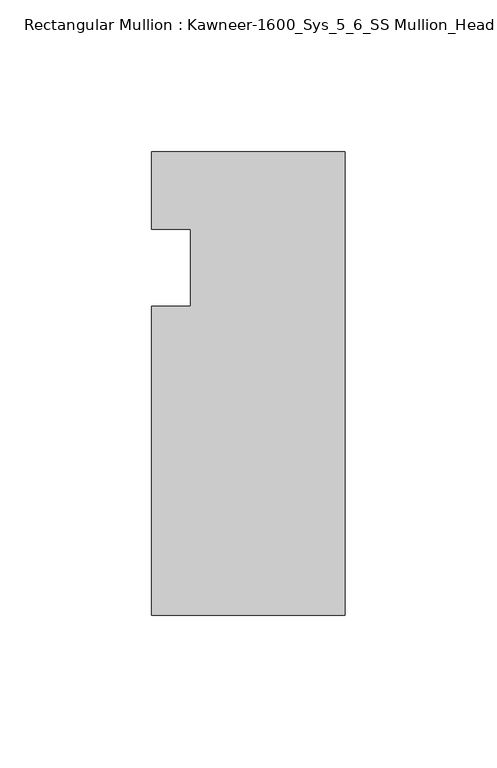
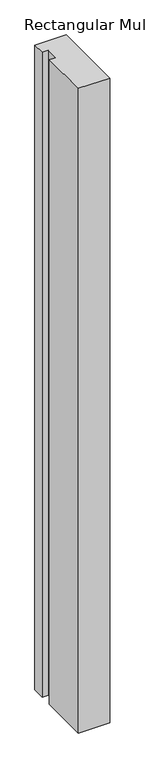
"""IFC4 building model written with IfcOpenShell, lengths in millimetres: member geometry, Rectangular Mullion : Kawneer-1600_Sys_5_6_SS Mullion_Head."""

from ifc_helpers import new_model, si_unit, frame, origin, place, context, project, spatial, polyline, outline, extrude, source, transform, mapped, element, save


def rectangular_mullion_kawneer_1600_sys_5_6_ss_mullion_head_ba9778c0(model_context):
    return source(origin(), model_context, "Body", "SweptSolid", [
        extrude(outline(polyline([(-63.5, -114.3), (-63.5, -12.7), (-50.7982296, -12.7), (-50.7982296, 12.7), (-63.5, 12.7), (-63.5, 38.1), (0.0, 38.1), (0.0, -114.3), (-63.5, -114.3)])), frame((0.0, 0.0, -1382.2844027), z_axis=(0.0, 0.0, 1.0), x_axis=(1.0, 0.0, 0.0)), (0.0, 0.0, 1.0), 1382.2844027),
    ])


if __name__ == "__main__":
    model = new_model("IFC4")
    model_context = context("Model", 3, world=origin())
    ifc_project = project(units=[si_unit("LENGTHUNIT", "METRE", prefix="MILLI")], contexts=[model_context])
    site = spatial("IfcSite", under=ifc_project)
    building = spatial("IfcBuilding", under=site)
    placement = place(None, origin())
    rectangular_mullion_kawneer_1600_sys_5_6_ss_mullion_head_shape = rectangular_mullion_kawneer_1600_sys_5_6_ss_mullion_head_ba9778c0(model_context)
    element("IfcMember", 1, ObjectType="Rectangular Mullion : Kawneer-1600_Sys_5_6_SS Mullion_Head", at=placement, inside=building, context=model_context, shape_type="MappedRepresentation", body=[
        mapped(rectangular_mullion_kawneer_1600_sys_5_6_ss_mullion_head_shape, transform((0.0, 0.0, 0.0), x_axis=(1.0, 0.0, 0.0), y_axis=(0.0, 1.0, 0.0), z_axis=(0.0, 0.0, 1.0))),
    ])
    save(model, "model.ifc")
